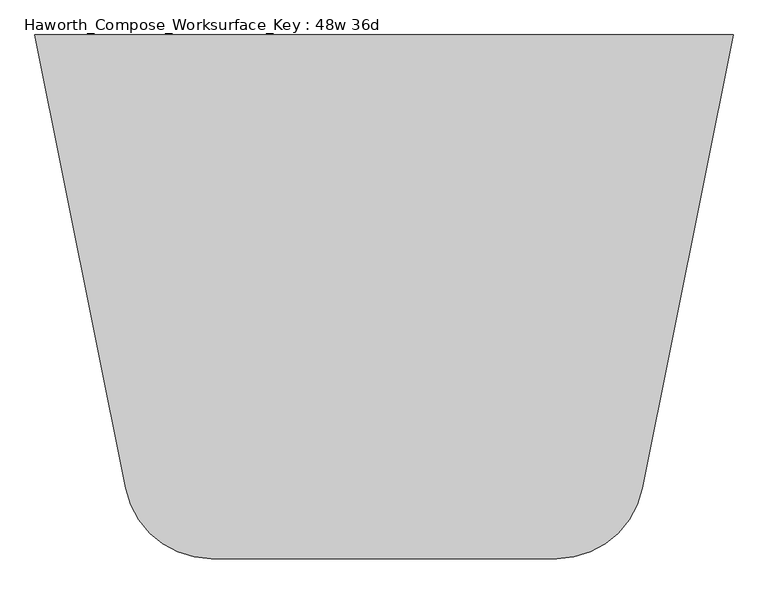
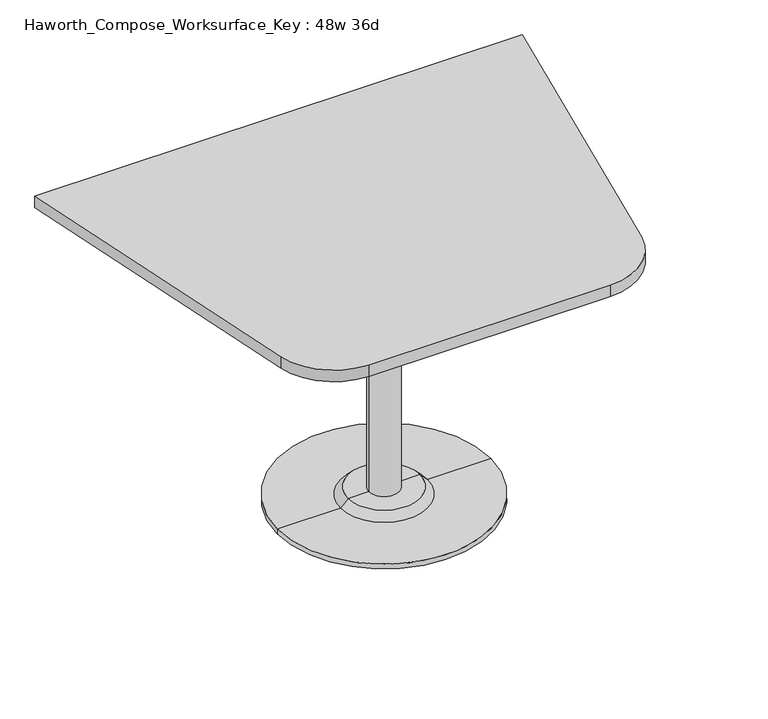
"""IFC4 building model written with IfcOpenShell, lengths in millimetres: furniture geometry, Haworth_Compose_Worksurface_Key : 48w 36d."""

from ifc_helpers import new_model, si_unit, point, frame, frame_2d, origin, place, context, project, spatial, polyline, circle_curve, trimmed, segment, composite_curve, outline, extrude, source, transform, mapped, element, save
from ifc_brep_helpers import plane_surface, cylinder_surface, revolved_surface, advanced_brep


def haworth_compose_worksurface_key_48w_36d_731acfcb(model_context):
    return source(origin(), model_context, "Body", "SolidModel", [
        advanced_brep(
        [(38.1, 139.7, 706.4375), (-38.1, 139.7, 706.4375), (0.0, 139.7, 706.4375), (38.1, 139.7, 31.75), (-38.1, 139.7, 31.75), (89.723978, 139.7, 31.75), (-89.723978, 139.7, 31.75), (266.7, 139.7, 0.0), (-266.7, 139.7, 0.0), (-266.7, 139.7, 12.7), (266.7, 139.7, 12.7), (0.0, 139.7, 0.0), (108.773978, 139.7, 12.7), (-108.773978, 139.7, 12.7)],
        [
            (0, 1, circle_curve(frame((0.0, 139.7, 706.4375), z_axis=(0.0, 0.0, 1.0), x_axis=(-1.0, 0.0, 0.0)), 38.1)),
            (1, 2),
            (2, 0),
            (1, 0, circle_curve(frame((0.0, 139.7, 706.4375), z_axis=(0.0, 0.0, 1.0), x_axis=(-1.0, 0.0, 0.0)), 38.1)),
            (3, 4, circle_curve(frame((0.0, 139.7, 31.75), z_axis=(0.0, 0.0, 1.0), x_axis=(-1.0, 0.0, 0.0)), 38.1)),
            (4, 1),
            (0, 3),
            (4, 3, circle_curve(frame((0.0, 139.7, 31.75), z_axis=(0.0, 0.0, 1.0), x_axis=(-1.0, 0.0, 0.0)), 38.1)),
            (5, 6, circle_curve(frame((0.0, 139.7, 31.75), z_axis=(0.0, 0.0, 1.0), x_axis=(-1.0, 0.0, 0.0)), 89.723978)),
            (6, 4),
            (3, 5),
            (6, 5, circle_curve(frame((0.0, 139.7, 31.75), z_axis=(0.0, 0.0, 1.0), x_axis=(-1.0, 0.0, 0.0)), 89.723978)),
            (7, 8, circle_curve(frame((0.0, 139.7, 0.0), z_axis=(0.0, 0.0, 1.0), x_axis=(-1.0, 0.0, 0.0)), 266.7)),
            (8, 9),
            (9, 10, circle_curve(frame((0.0, 139.7, 12.7), z_axis=(0.0, 0.0, -1.0), x_axis=(-1.0, 0.0, 0.0)), 266.7)),
            (10, 7),
            (8, 7, circle_curve(frame((0.0, 139.7, 0.0), z_axis=(0.0, 0.0, 1.0), x_axis=(-1.0, 0.0, 0.0)), 266.7)),
            (10, 9, circle_curve(frame((0.0, 139.7, 12.7), z_axis=(0.0, 0.0, -1.0), x_axis=(-1.0, 0.0, 0.0)), 266.7)),
            (11, 8),
            (7, 11),
            (12, 13, circle_curve(frame((0.0, 139.7, 12.7), z_axis=(0.0, 0.0, 1.0), x_axis=(-1.0, 0.0, 0.0)), 108.773978)),
            (13, 6),
            (5, 12),
            (13, 12, circle_curve(frame((0.0, 139.7, 12.7), z_axis=(0.0, 0.0, 1.0), x_axis=(-1.0, 0.0, 0.0)), 108.773978)),
            (9, 13),
            (12, 10),
        ],
        [
            plane_surface(frame((0.0, 139.7, 706.4375), z_axis=(0.0, 0.0, 1.0), x_axis=(-1.0, 0.0, 0.0))),
            cylinder_surface(frame((0.0, 139.7, 889.623257), z_axis=(0.0, 0.0, -1.0), x_axis=(-1.0, 0.0, 0.0)), 38.1),
            plane_surface(frame((0.0, 139.7, 31.75), z_axis=(0.0, 0.0, 1.0), x_axis=(-1.0, 0.0, 0.0))),
            cylinder_surface(frame((0.0, 139.7, 889.623257), z_axis=(0.0, 0.0, -1.0), x_axis=(-1.0, 0.0, 0.0)), 266.7),
            plane_surface(frame((0.0, 139.7, 0.0), z_axis=(0.0, 0.0, -1.0), x_axis=(-1.0, 0.0, 0.0))),
            revolved_surface(polyline([(-89.723978, 139.7, 31.75), (-108.773978, 139.7, 12.7)]), (0.0, 139.7, 889.623257), (0.0, 0.0, -1.0)),
            plane_surface(frame((0.0, 139.7, 12.7), z_axis=(0.0, 0.0, 1.0), x_axis=(-1.0, 0.0, 0.0))),
        ],
        [
            (0, [[1, 2, 3]]),
            (0, [[4, -3, -2]]),
            (1, [[5, 6, -1, 7]]),
            (1, [[8, -7, -4, -6]]),
            (2, [[9, 10, -5, 11]]),
            (2, [[12, -11, -8, -10]]),
            (3, [[13, 14, 15, 16]]),
            (3, [[17, -16, 18, -14]]),
            (4, [[19, -13, 20]]),
            (4, [[-20, -17, -19]]),
            (5, [[21, 22, -9, 23]]),
            (5, [[24, -23, -12, -22]]),
            (6, [[-15, 25, -21, 26]]),
            (6, [[-18, -26, -24, -25]]),
        ],
    ),
        extrude(outline(composite_curve([segment(polyline([(609.6, 596.9), (451.2223802, -194.988099)]), True, "CONTINUOUS"), segment(trimmed(circle_curve(frame_2d((301.7818852, -165.1)), 152.4), [point((451.2223802, -194.988099))], [point((301.7818852, -317.5))], False, "CARTESIAN"), True, "CONTINUOUS"), segment(polyline([(301.7818852, -317.5), (-301.7818852, -317.5)]), True, "CONTINUOUS"), segment(trimmed(circle_curve(frame_2d((-301.7818852, -165.1)), 152.4), [point((-301.7818852, -317.5))], [point((-451.2223802, -194.988099))], False, "CARTESIAN"), True, "CONTINUOUS"), segment(polyline([(-451.2223802, -194.988099), (-609.6, 596.9), (609.6, 596.9)]), True, "CONTINUOUS")], self_intersect=False)), frame((0.0, 0.0, 706.4375), z_axis=(0.0, 0.0, 1.0), x_axis=(1.0, 0.0, 0.0)), (0.0, 0.0, 1.0), 30.1625),
    ])


if __name__ == "__main__":
    model = new_model("IFC4")
    model_context = context("Model", 3, world=origin())
    ifc_project = project(units=[si_unit("LENGTHUNIT", "METRE", prefix="MILLI")], contexts=[model_context])
    site = spatial("IfcSite", under=ifc_project)
    building = spatial("IfcBuilding", under=site)
    placement = place(None, origin())
    haworth_compose_worksurface_key_48w_36d_shape = haworth_compose_worksurface_key_48w_36d_731acfcb(model_context)
    element("IfcFurniture", 1, ObjectType="Haworth_Compose_Worksurface_Key : 48w 36d", at=placement, inside=building, context=model_context, shape_type="MappedRepresentation", body=[
        mapped(haworth_compose_worksurface_key_48w_36d_shape, transform((0.0, 0.0, 0.0), x_axis=(1.0, 0.0, 0.0), y_axis=(0.0, 1.0, 0.0), z_axis=(0.0, 0.0, 1.0))),
    ])
    save(model, "model.ifc")
